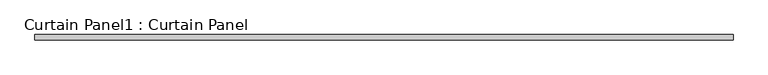
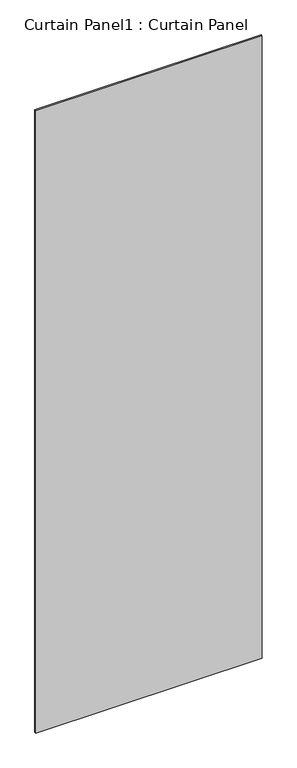
"""IFC4 building model written with IfcOpenShell, lengths in millimetres: plate geometry, Curtain Panel1 : Curtain Panel."""

from ifc_helpers import new_model, si_unit, frame, origin, place, context, project, spatial, polyline, outline, extrude, source, transform, mapped, element, save


def curtain_panel1_curtain_panel_34a1a030(model_context):
    return source(origin(), model_context, "Body", "SweptSolid", [
        extrude(outline(polyline([(15374.1285631, -689.8539056), (14040.7953902, -689.8539056), (14040.7953902, -679.8539056), (15374.1285631, -679.8539056), (15374.1285631, -689.8539056)])), frame((0.0, 0.0, 6162.5), z_axis=(0.0, 0.0, 1.0), x_axis=(1.0, 0.0, 0.0)), (0.0, 0.0, 1.0), 3870.5),
    ])


if __name__ == "__main__":
    model = new_model("IFC4")
    model_context = context("Model", 3, world=origin())
    ifc_project = project(units=[si_unit("LENGTHUNIT", "METRE", prefix="MILLI")], contexts=[model_context])
    site = spatial("IfcSite", under=ifc_project)
    building = spatial("IfcBuilding", under=site)
    placement = place(None, origin())
    curtain_panel1_curtain_panel_shape = curtain_panel1_curtain_panel_34a1a030(model_context)
    element("IfcPlate", 1, ObjectType="Curtain Panel1 : Curtain Panel", at=placement, inside=building, context=model_context, shape_type="MappedRepresentation", body=[
        mapped(curtain_panel1_curtain_panel_shape, transform((0.0, 0.0, 0.0), x_axis=(1.0, 0.0, 0.0), y_axis=(0.0, 1.0, 0.0), z_axis=(0.0, 0.0, 1.0))),
    ])
    save(model, "model.ifc")
